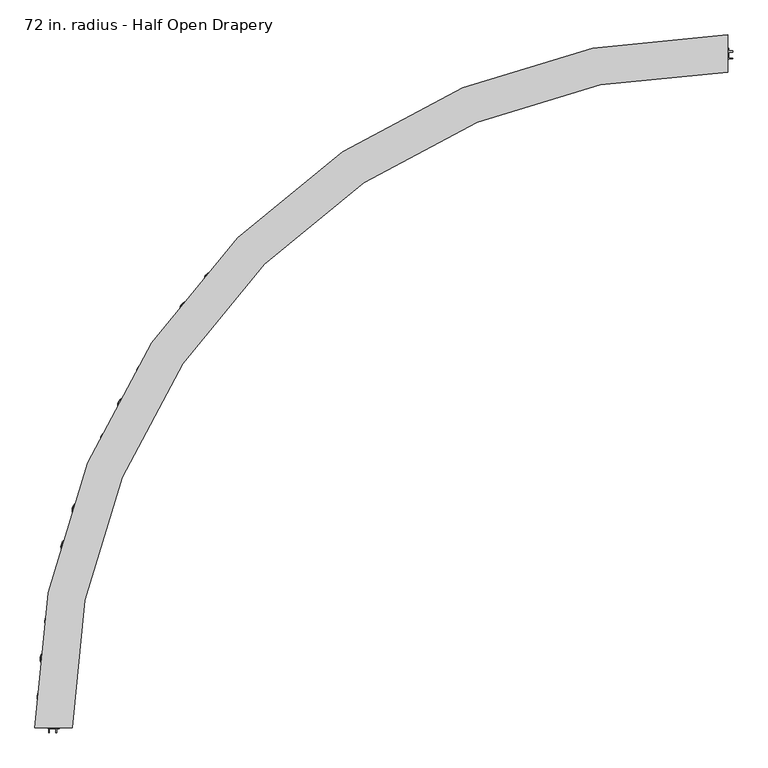
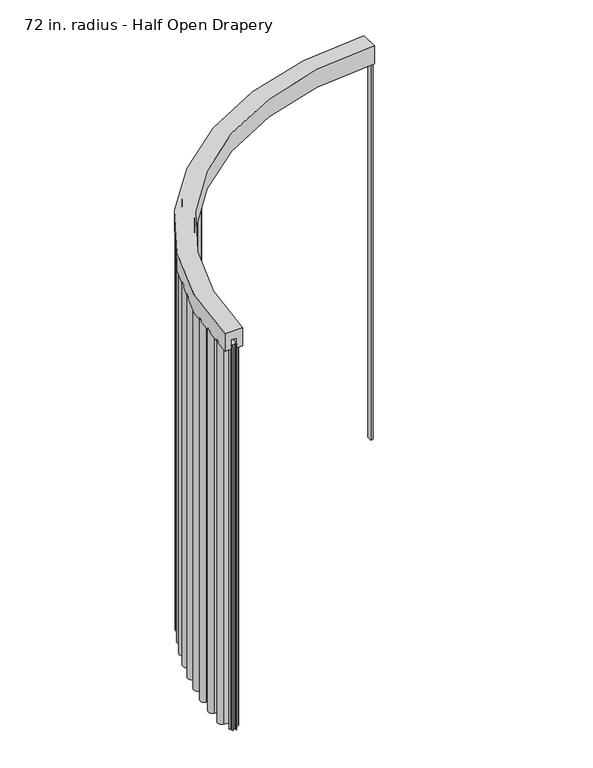
"""IFC4 building model written with IfcOpenShell, lengths in millimetres: furniture geometry, 72 in. radius - Half Open Drapery."""

import ifcopenshell
import ifcopenshell.guid

model = None  # the IFC model being written
_history = None  # IfcOwnerHistory: only IFC2X3 demands one
_inside = {}  # id of a spatial element -> (the spatial element, [elements in it])
_under = {}  # id of a project, library or spatial element -> (it, [spatial elements below it])
_declared = {}  # id of a project -> (the project, [libraries it declares])
_typed = {}  # id of a type object -> (the type object, [elements of that type])
_made_of = {}  # id of a material, layer set ... -> (it, [elements and type objects made of it])


def new_model(schema):
    """Start an empty IFC model of exactly this schema.

    Asked for "IFC4X3", IfcOpenShell would pick the latest addendum, in which some entities
    have other attributes; the version numbers below select the first issue.
    IFC2X3 requires an IfcOwnerHistory on every rooted entity: one is made here for all.
    """
    global model, _history
    if schema == "IFC4X3":
        model = ifcopenshell.file(schema_version=(4, 3, 0, 0))
    else:
        model = ifcopenshell.file(schema=schema)
    _inside.clear()
    _under.clear()
    _declared.clear()
    _typed.clear()
    _made_of.clear()
    _history = None
    if model.schema == "IFC2X3":
        org = make("IfcOrganization", Name="unknown")
        user = make(
            "IfcPersonAndOrganization",
            ThePerson=make("IfcPerson", FamilyName="unknown"),
            TheOrganization=org,
        )
        app = make(
            "IfcApplication",
            ApplicationDeveloper=org,
            Version="unknown",
            ApplicationFullName="unknown",
            ApplicationIdentifier="unknown",
        )
        _history = make(
            "IfcOwnerHistory",
            OwningUser=user,
            OwningApplication=app,
            ChangeAction="ADDED",
            CreationDate=0,
        )
    return model


def make(cls, **values):
    """One entity of the class cls with the attributes given. An attribute that is None is left unset."""
    return model.create_entity(
        cls, **{name: value for name, value in values.items() if value is not None}
    )


def rooted(cls, **values):
    """An entity with a GlobalId (a new one), such as an element, a storey or a relation."""
    return make(cls, GlobalId=ifcopenshell.guid.new(), OwnerHistory=_history, **values)


def si_unit(unit_type, name, prefix=None):
    """IfcSIUnit, for example si_unit("LENGTHUNIT", "METRE", prefix="MILLI")."""
    return make("IfcSIUnit", UnitType=unit_type, Prefix=prefix, Name=name)


def assignment(units):
    """IfcUnitAssignment: the units of a project."""
    return None if units is None else make("IfcUnitAssignment", Units=units)


def point(xyz):
    """IfcCartesianPoint."""
    return None if xyz is None else make("IfcCartesianPoint", Coordinates=xyz)


def direction(xyz):
    """IfcDirection."""
    return None if xyz is None else make("IfcDirection", DirectionRatios=xyz)


def frame(location, z_axis=None, x_axis=None):
    """IfcAxis2Placement3D, a coordinate frame: its origin and axes. An axis left out is left unset."""
    return make(
        "IfcAxis2Placement3D",
        Location=point(location),
        Axis=direction(z_axis),
        RefDirection=direction(x_axis),
    )


def frame_2d(location, x_axis=None):
    """IfcAxis2Placement2D, a coordinate frame in the plane: its origin and x axis."""
    return make(
        "IfcAxis2Placement2D", Location=point(location), RefDirection=direction(x_axis)
    )


def origin():
    """The frame at (0, 0, 0) with its axes left unset."""
    return frame((0.0, 0.0, 0.0))


def place(relative_to, where):
    """IfcLocalPlacement: puts the frame where relative to a parent placement (None: the world)."""
    return make(
        "IfcLocalPlacement", PlacementRelTo=relative_to, RelativePlacement=where
    )


def context(
    kind, dimensions, precision=None, world=None, true_north=None, identifier=None
):
    """IfcGeometricRepresentationContext, for example the 3D "Model" context."""
    return make(
        "IfcGeometricRepresentationContext",
        ContextIdentifier=identifier,
        ContextType=kind,
        CoordinateSpaceDimension=dimensions,
        Precision=precision,
        WorldCoordinateSystem=world,
        TrueNorth=true_north,
    )


def project(units=None, contexts=None):
    """IfcProject with its units and contexts."""
    return rooted(
        "IfcProject",
        Name="project",
        RepresentationContexts=contexts,
        UnitsInContext=assignment(units),
    )


def spatial(cls, under=None, at=None, **own):
    """A site, building, storey or space (cls), placed at a placement, below another one or the project."""
    s = rooted(cls, ObjectPlacement=at, **own)
    if under is not None:
        _under.setdefault(under.id(), (under, []))[1].append(s)
    return s


def polyline(points):
    """IfcPolyline through the points."""
    return make("IfcPolyline", Points=[point(p) for p in points])


def circle_curve(where, radius):
    """IfcCircle in the frame where."""
    return make("IfcCircle", Position=where, Radius=radius)


def trimmed(basis, trim1, trim2, sense, master):
    """IfcTrimmedCurve: the piece of a basis curve between two trims."""
    return make(
        "IfcTrimmedCurve",
        BasisCurve=basis,
        Trim1=trim1,
        Trim2=trim2,
        SenseAgreement=sense,
        MasterRepresentation=master,
    )


def segment(curve, same_sense, transition):
    """IfcCompositeCurveSegment."""
    return make(
        "IfcCompositeCurveSegment",
        Transition=transition,
        SameSense=same_sense,
        ParentCurve=curve,
    )


def composite_curve(segments, self_intersect=None):
    """IfcCompositeCurve: segments joined end to end."""
    return make("IfcCompositeCurve", Segments=segments, SelfIntersect=self_intersect)


def outline(outer, holes=None, kind="AREA"):
    """IfcArbitraryClosedProfileDef: a profile drawn as a closed curve; with holes, ...WithVoids."""
    if holes is None:
        return make("IfcArbitraryClosedProfileDef", ProfileType=kind, OuterCurve=outer)
    return make(
        "IfcArbitraryProfileDefWithVoids",
        ProfileType=kind,
        OuterCurve=outer,
        InnerCurves=holes,
    )


def extrude(swept, where, along, depth):
    """IfcExtrudedAreaSolid: the profile swept, set in the frame where, extruded along a direction by depth."""
    return make(
        "IfcExtrudedAreaSolid",
        SweptArea=swept,
        Position=where,
        ExtrudedDirection=direction(along),
        Depth=depth,
    )


def shape(context_of_items, identifier, shape_type, items):
    """IfcShapeRepresentation: the items that make up one representation, for example the "Body"."""
    return make(
        "IfcShapeRepresentation",
        ContextOfItems=context_of_items,
        RepresentationIdentifier=identifier,
        RepresentationType=shape_type,
        Items=items,
    )


def source(mapping_origin, context_of_items, identifier, shape_type, items):
    """IfcRepresentationMap: a shape defined once, which mapped items show again and again."""
    return make(
        "IfcRepresentationMap",
        MappingOrigin=mapping_origin,
        MappedRepresentation=shape(context_of_items, identifier, shape_type, items),
    )


def transform(
    local_origin,
    x_axis=None,
    y_axis=None,
    z_axis=None,
    scale=None,
    scale2=None,
    scale3=None,
    uniform=True,
):
    """IfcCartesianTransformationOperator3D, or its non-uniform kind. x_axis, y_axis, z_axis: its Axis1, 2, 3."""
    if uniform:
        return make(
            "IfcCartesianTransformationOperator3D",
            Axis1=direction(x_axis),
            Axis2=direction(y_axis),
            LocalOrigin=point(local_origin),
            Scale=scale,
            Axis3=direction(z_axis),
        )
    return make(
        "IfcCartesianTransformationOperator3DnonUniform",
        Axis1=direction(x_axis),
        Axis2=direction(y_axis),
        LocalOrigin=point(local_origin),
        Scale=scale,
        Axis3=direction(z_axis),
        Scale2=scale2,
        Scale3=scale3,
    )


def mapped(mapping_source, mapping_target):
    """IfcMappedItem: shows the shape of a source again, moved by a transform."""
    return make(
        "IfcMappedItem", MappingSource=mapping_source, MappingTarget=mapping_target
    )


def made_of(thing, what):
    """Note that an element or type object is made of a material, layer set ...; save() writes the relation."""
    if what is not None:
        _made_of.setdefault(what.id(), (what, []))[1].append(thing)
    return thing


def element(
    cls,
    number,
    at=None,
    inside=None,
    cuts=None,
    type_object=None,
    material=None,
    context=None,
    identifier="Body",
    shape_type=None,
    held_by="IfcProductDefinitionShape",
    body=None,
    shapes=None,
    **own,
):
    """One element of the class cls, such as IfcWall. Its Tag is "e" and its number.

    at: its placement. inside: the storey or other place that contains it. cuts: it is an
    opening in that element (IfcRelVoidsElement). A single representation is given by context,
    identifier, shape_type and body (its items); several are given by shapes. held_by: the class
    of the entity that holds the representations. save() writes the other relations.
    """
    e = rooted(cls, Tag="e%d" % number, ObjectPlacement=at, **own)
    if body is not None:
        shapes = [shape(context, identifier, shape_type, body)]
    if shapes is not None:
        e.Representation = make(held_by, Representations=shapes)
    if inside is not None:
        _inside.setdefault(inside.id(), (inside, []))[1].append(e)
    if cuts is not None:
        rooted(
            "IfcRelVoidsElement", RelatingBuildingElement=cuts, RelatedOpeningElement=e
        )
    if type_object is not None:
        _typed.setdefault(type_object.id(), (type_object, []))[1].append(e)
    return made_of(e, material)


def aggregate(whole, parts):
    """IfcRelAggregates: a whole, such as a stair, and the parts it consists of."""
    return rooted("IfcRelAggregates", RelatingObject=whole, RelatedObjects=parts)


def save(model, path):
    """Write the relations noted so far, then the file.

    IfcRelAggregates (storeys below a building ...), IfcRelContainedInSpatialStructure (elements
    in a storey), IfcRelDefinesByType, IfcRelAssociatesMaterial and IfcRelDeclares: one each for
    every whole, place, type object, material and project.
    """
    for whole, parts in _under.values():
        aggregate(whole, parts)
    for where, things in _inside.values():
        rooted(
            "IfcRelContainedInSpatialStructure",
            RelatedElements=things,
            RelatingStructure=where,
        )
    for kind, things in _typed.values():
        rooted("IfcRelDefinesByType", RelatedObjects=things, RelatingType=kind)
    for what, things in _made_of.values():
        rooted("IfcRelAssociatesMaterial", RelatedObjects=things, RelatingMaterial=what)
    for by, libraries in _declared.values():
        rooted("IfcRelDeclares", RelatingContext=by, RelatedDefinitions=libraries)
    model.write(path)


def plane_surface(at):
    """IfcPlane: the flat surface through the origin of the frame at, square to its z axis."""
    return make("IfcPlane", Position=at)


def cylinder_surface(at, radius):
    """IfcCylindricalSurface: all points at the distance radius from the z axis of the frame at."""
    return make("IfcCylindricalSurface", Position=at, Radius=radius)


def revolved_surface(curve, axis_point, axis_direction):
    """IfcSurfaceOfRevolution: the curve turned about the line through axis_point along axis_direction."""
    return make(
        "IfcSurfaceOfRevolution",
        SweptCurve=make("IfcArbitraryOpenProfileDef", ProfileType="CURVE", Curve=curve),
        AxisPosition=make("IfcAxis1Placement", Location=point(axis_point), Axis=direction(axis_direction)),
    )


def advanced_brep(points, edges, surfaces, faces):
    """IfcAdvancedBrep: a solid bounded by faces that lie on surfaces and meet in shared edges.

    An edge is (start, end): straight between two places in points (the first is 0);
    or (start, end, curve); or (start, end, curve, False) where it runs against its curve.
    A face is (place in surfaces, loops), or (place, loops, False) where it looks against
    its surface's normal. A loop lists edges by number (the first is 1), with a minus sign
    where the edge is run from its end to its start. The first loop is the outer one.
    """
    corners = [point(p) for p in points]
    vertices = [make("IfcVertexPoint", VertexGeometry=c) for c in corners]
    made = []
    for start, end, *more in edges:
        made.append(
            make(
                "IfcEdgeCurve",
                EdgeStart=vertices[start],
                EdgeEnd=vertices[end],
                EdgeGeometry=more[0] if more else make("IfcPolyline", Points=[corners[start], corners[end]]),
                SameSense=more[1] if len(more) > 1 else True,
            )
        )
    hull = []
    for where, loops, *sense in faces:
        bounds = []
        for j, loop in enumerate(loops):
            ring = [make("IfcOrientedEdge", EdgeElement=made[abs(k) - 1], Orientation=k > 0) for k in loop]
            bounds.append(
                make(
                    "IfcFaceOuterBound" if j == 0 else "IfcFaceBound",
                    Bound=make("IfcEdgeLoop", EdgeList=ring),
                    Orientation=True,
                )
            )
        hull.append(make("IfcAdvancedFace", Bounds=bounds, FaceSurface=surfaces[where], SameSense=sense[0] if sense else True))
    return make("IfcAdvancedBrep", Outer=make("IfcClosedShell", CfsFaces=hull))


def furniture_72_in_radius_half_open_drapery_9427be67(model_context):
    return source(origin(), model_context, "Body", "SolidModel", [
        advanced_brep(
        [(38.1006913, 1880.0004562, 2438.4), (38.1006913, 1778.4004562, 2438.4), (38.1006913, 1778.4004562, 2331.8390625), (38.1006913, 1813.9821615, 2331.8390625), (38.1006913, 1813.9821615, 2388.7001663), (38.1006913, 1844.418751, 2388.7001663), (38.1006913, 1844.418751, 2331.8390625), (38.1006913, 1880.0004562, 2331.8390625), (-1841.899765, 0.0, 2438.4), (-1841.899765, 0.0, 2331.8390625), (-1806.3180598, 0.0, 2331.8390625), (-1806.3180598, 0.0, 2388.7001663), (-1775.8814702, 0.0, 2388.7001663), (-1775.8814702, 0.0, 2331.8390625), (-1740.299765, 0.0, 2331.8390625), (-1740.299765, 0.0, 2438.4)],
        [
            (0, 1),
            (1, 2),
            (2, 3),
            (3, 4),
            (4, 5),
            (5, 6),
            (6, 7),
            (7, 0),
            (8, 9),
            (9, 10),
            (10, 11),
            (11, 12),
            (12, 13),
            (13, 14),
            (14, 15),
            (15, 8),
            (15, 1, circle_curve(frame((38.1006913, 0.0, 2438.4), z_axis=(0.0, 0.0, -1.0), x_axis=(0.0, 1.0, 0.0)), 1778.4004562)),
            (0, 8, circle_curve(frame((38.1006913, 0.0, 2438.4), z_axis=(0.0, 0.0, 1.0), x_axis=(0.0, 1.0, 0.0)), 1880.0004562)),
            (14, 2, circle_curve(frame((38.1006913, 0.0, 2331.8390625), z_axis=(0.0, 0.0, -1.0), x_axis=(0.0, 1.0, 0.0)), 1778.4004562)),
            (7, 9, circle_curve(frame((38.1006913, 0.0, 2331.8390625), z_axis=(0.0, 0.0, 1.0), x_axis=(0.0, 1.0, 0.0)), 1880.0004562)),
            (13, 3, circle_curve(frame((38.1006913, 0.0, 2331.8390625), z_axis=(0.0, 0.0, -1.0), x_axis=(0.0, 1.0, 0.0)), 1813.9821615)),
            (12, 4, circle_curve(frame((38.1006913, 0.0, 2388.7001663), z_axis=(0.0, 0.0, -1.0), x_axis=(0.0, 1.0, 0.0)), 1813.9821615)),
            (11, 5, circle_curve(frame((38.1006913, 0.0, 2388.7001663), z_axis=(0.0, 0.0, -1.0), x_axis=(0.0, 1.0, 0.0)), 1844.418751)),
            (10, 6, circle_curve(frame((38.1006913, 0.0, 2331.8390625), z_axis=(0.0, 0.0, -1.0), x_axis=(0.0, 1.0, 0.0)), 1844.418751)),
        ],
        [
            plane_surface(frame((38.1006913, 0.0, 2451.1), z_axis=(1.0, 0.0, 0.0), x_axis=(0.0, 1.0, 0.0))),
            plane_surface(frame((38.1006913, 0.0, 2451.1), z_axis=(0.0, -1.0, 0.0), x_axis=(-1.0, 0.0, 0.0))),
            plane_surface(frame((38.1006913, 0.0, 2438.4), z_axis=(0.0, 0.0, 1.0), x_axis=(0.0, 1.0, 0.0))),
            revolved_surface(polyline([(38.1006913, 1778.4004562, 2438.4), (38.1006913, 1778.4004562, 2331.8390625)]), (38.1006913, 0.0, 2451.1), (0.0, 0.0, 1.0)),
            cylinder_surface(frame((38.1006913, 0.0, 2451.1), z_axis=(0.0, 0.0, 1.0), x_axis=(0.0, 1.0, 0.0)), 1880.0004562),
            plane_surface(frame((38.1006913, 0.0, 2331.8390625), z_axis=(0.0, 0.0, -1.0), x_axis=(0.0, 1.0, 0.0))),
            cylinder_surface(frame((38.1006913, 0.0, 2451.1), z_axis=(0.0, 0.0, 1.0), x_axis=(0.0, 1.0, 0.0)), 1813.9821615),
            plane_surface(frame((38.1006913, 0.0, 2388.7001663), z_axis=(0.0, 0.0, -1.0), x_axis=(0.0, 1.0, 0.0))),
            revolved_surface(polyline([(38.1006913, 1844.418751, 2388.7001663), (38.1006913, 1844.418751, 2331.8390625)]), (38.1006913, 0.0, 2451.1), (0.0, 0.0, 1.0)),
        ],
        [
            (0, [[1, 2, 3, 4, 5, 6, 7, 8]]),
            (1, [[9, 10, 11, 12, 13, 14, 15, 16]]),
            (2, [[17, -1, 18, -16]]),
            (3, [[19, -2, -17, -15]]),
            (4, [[-18, -8, 20, -9]]),
            (5, [[21, -3, -19, -14]]),
            (6, [[22, -4, -21, -13]]),
            (7, [[23, -5, -22, -12]]),
            (8, [[24, -6, -23, -11]]),
            (5, [[-20, -7, -24, -10]]),
        ],
    ),
        extrude(outline(composite_curve([segment(polyline([(-1813.2675039, 8.7991729), (-1813.2675039, 9.5929229), (-1772.6295579, 9.5929229)]), True, "CONTINUOUS"), segment(trimmed(circle_curve(frame_2d((-1772.6295579, 32.2004487)), 22.6075258), [point((-1772.6295579, 9.5929229))], [point((-1769.6769803, 54.6143396))], True, "CARTESIAN"), True, "CONTINUOUS"), segment(polyline([(-1769.6769803, 54.6143396), (-1814.6857035, 60.54333)]), True, "CONTINUOUS"), segment(trimmed(circle_curve(frame_2d((-1811.5275882, 84.5175193)), 24.1813036), [point((-1814.6857035, 60.54333))], [point((-1812.4998595, 108.6792688))], False, "CARTESIAN"), True, "CONTINUOUS"), segment(polyline([(-1812.4998595, 108.6792688), (-1767.1091523, 110.5057956)]), True, "CONTINUOUS"), segment(trimmed(circle_curve(frame_2d((-1768.0180469, 133.0925785)), 22.6050625), [point((-1767.1091523, 110.5057956))], [point((-1763.8193529, 155.3042831))], True, "CARTESIAN"), True, "CONTINUOUS"), segment(polyline([(-1763.8193529, 155.3042831), (-1808.286458, 163.7099309)]), True, "CONTINUOUS"), segment(trimmed(circle_curve(frame_2d((-1803.7922369, 187.4850177)), 24.1961314), [point((-1808.286458, 163.7099309))], [point((-1803.4140194, 211.6781929))], False, "CARTESIAN"), True, "CONTINUOUS"), segment(polyline([(-1803.4140194, 211.6781929), (-1758.1420693, 210.9704462)]), True, "CONTINUOUS"), segment(trimmed(circle_curve(frame_2d((-1757.788763, 233.5701509)), 22.6024662), [point((-1758.1420693, 210.9704462))], [point((-1752.3573521, 255.5103253))], True, "CARTESIAN"), True, "CONTINUOUS"), segment(polyline([(-1752.3573521, 255.5103253), (-1796.4292649, 266.4205699)]), True, "CONTINUOUS"), segment(trimmed(circle_curve(frame_2d((-1790.6174697, 289.897306)), 24.1854108), [point((-1796.4292649, 266.4205699))], [point((-1788.8901204, 314.0209533))], False, "CARTESIAN"), True, "CONTINUOUS"), segment(polyline([(-1788.8901204, 314.0209533), (-1743.5851539, 310.7769372)]), True, "CONTINUOUS"), segment(trimmed(circle_curve(frame_2d((-1741.9710116, 333.3195691)), 22.6003475), [point((-1743.5851539, 310.7769372))], [point((-1735.3239561, 354.9203182))], True, "CARTESIAN"), True, "CONTINUOUS"), segment(polyline([(-1735.3239561, 354.9203182), (-1778.5125348, 368.2104535)]), True, "CONTINUOUS"), segment(trimmed(circle_curve(frame_2d((-1771.3933974, 391.345314)), 24.2054516), [point((-1778.5125348, 368.2104535))], [point((-1768.3195733, 415.3548016))], False, "CARTESIAN"), True, "CONTINUOUS"), segment(polyline([(-1768.3195733, 415.3548016), (-1723.5637359, 409.6249178)]), True, "CONTINUOUS"), segment(trimmed(circle_curve(frame_2d((-1720.6927841, 432.0497797)), 22.6078923), [point((-1723.5637359, 409.6249178))], [point((-1712.8477053, 453.2528817))], True, "CARTESIAN"), True, "CONTINUOUS"), segment(polyline([(-1712.8477053, 453.2528817), (-1755.3793884, 468.9894662)]), True, "CONTINUOUS"), segment(trimmed(circle_curve(frame_2d((-1746.9867429, 491.6724911)), 24.1858661), [point((-1755.3793884, 468.9894662))], [point((-1742.5810222, 515.4536967))], False, "CARTESIAN"), True, "CONTINUOUS"), segment(polyline([(-1742.5810222, 515.4536967), (-1697.7640357, 507.1508743)]), True, "CONTINUOUS"), segment(trimmed(circle_curve(frame_2d((-1693.6505392, 529.3547116)), 22.5816572), [point((-1697.7640357, 507.1508743))], [point((-1684.644538, 550.0627581))], True, "CARTESIAN"), True, "CONTINUOUS"), segment(polyline([(-1684.644538, 550.0627581), (-1726.3426429, 568.1974083)]), True, "CONTINUOUS"), segment(trimmed(circle_curve(frame_2d((-1716.6931292, 590.3851225)), 24.1952015), [point((-1726.3426429, 568.1974083))], [point((-1710.9645402, 613.8923776))], False, "CARTESIAN"), True, "CONTINUOUS"), segment(polyline([(-1710.9645402, 613.8923776), (-1667.1292609, 603.2099608)]), True, "CONTINUOUS"), segment(trimmed(circle_curve(frame_2d((-1661.7731813, 625.1886241)), 22.621875), [point((-1667.1292609, 603.2099608))], [point((-1651.6072198, 645.3975937))], True, "CARTESIAN"), True, "CONTINUOUS"), segment(polyline([(-1651.6072198, 645.3975937), (-1691.7651569, 665.5987249)]), True, "CONTINUOUS"), segment(trimmed(circle_curve(frame_2d((-1680.8857945, 687.2258679)), 24.209375), [point((-1691.7651569, 665.5987249))], [point((-1673.8498546, 710.390267))], False, "CARTESIAN"), True, "CONTINUOUS"), segment(polyline([(-1673.8498546, 710.390267), (-1630.8375466, 697.3257357)]), True, "CONTINUOUS"), segment(trimmed(circle_curve(frame_2d((-1624.2629798, 718.9711579)), 22.621875), [point((-1630.8375466, 697.3257357))], [point((-1612.9847645, 738.5811321))], True, "CARTESIAN"), True, "CONTINUOUS"), segment(polyline([(-1612.9847645, 738.5811321), (-1651.9526335, 760.9925851)]), True, "CONTINUOUS"), segment(trimmed(circle_curve(frame_2d((-1639.8829645, 781.9786979)), 24.209375), [point((-1651.9526335, 760.9925851))], [point((-1631.564904, 804.7142143))], False, "CARTESIAN"), True, "CONTINUOUS"), segment(polyline([(-1631.564904, 804.7142143), (-1589.3483107, 789.268769)]), True, "CONTINUOUS"), segment(trimmed(circle_curve(frame_2d((-1581.5756968, 810.5134319)), 22.621875), [point((-1589.3483107, 789.268769))], [point((-1569.2204104, 829.4632637))], True, "CARTESIAN"), True, "CONTINUOUS"), segment(polyline([(-1569.2204104, 829.4632637), (-1606.8765453, 854.0150556)]), True, "CONTINUOUS"), segment(trimmed(circle_curve(frame_2d((-1593.6542213, 874.2947002)), 24.209375), [point((-1606.8765453, 854.0150556))], [point((-1584.0799774, 896.5304303))], False, "CARTESIAN"), True, "CONTINUOUS"), segment(polyline([(-1584.0799774, 896.5304303), (-1542.7920826, 878.7527196)]), True, "CONTINUOUS"), segment(trimmed(circle_curve(frame_2d((-1533.8456579, 899.5303691)), 22.621875), [point((-1542.7920826, 878.7527196))], [point((-1520.4517928, 917.7609369))], True, "CARTESIAN"), True, "CONTINUOUS"), segment(polyline([(-1520.4517928, 917.7609369), (-1556.6783212, 944.3763028)]), True, "CONTINUOUS"), segment(trimmed(circle_curve(frame_2d((-1542.3445357, 963.8862088)), 24.209375), [point((-1556.6783212, 944.3763028))], [point((-1531.5440207, 985.5528355))], False, "CARTESIAN"), True, "CONTINUOUS"), segment(polyline([(-1531.5440207, 985.5528355), (-1491.3127076, 965.49808)]), True, "CONTINUOUS"), segment(trimmed(circle_curve(frame_2d((-1481.220423, 985.7439443)), 22.621875), [point((-1491.3127076, 965.49808))], [point((-1466.8298301, 1003.1984584))], True, "CARTESIAN"), True, "CONTINUOUS"), segment(polyline([(-1466.8298301, 1003.1984584), (-1501.5145614, 1031.7947198)]), True, "CONTINUOUS"), segment(trimmed(circle_curve(frame_2d((-1486.1141024, 1050.4741121)), 24.209375), [point((-1501.5145614, 1031.7947198))], [point((-1474.1209556, 1071.5040495))], False, "CARTESIAN"), True, "CONTINUOUS"), segment(polyline([(-1474.1209556, 1071.5040495), (-1435.0715605, 1049.2346001)]), True, "CONTINUOUS"), segment(trimmed(circle_curve(frame_2d((-1423.8648496, 1068.8855253)), 22.621875), [point((-1435.0715605, 1049.2346001))], [point((-1408.5223554, 1085.509517))], True, "CARTESIAN"), True, "CONTINUOUS"), segment(polyline([(-1408.5223554, 1085.509517), (-1441.5564396, 1115.9970949)]), True, "CONTINUOUS"), segment(trimmed(circle_curve(frame_2d((-1425.1372792, 1133.7876826)), 24.209375), [point((-1441.5564396, 1115.9970949))], [point((-1411.9889102, 1154.1153541))], False, "CARTESIAN"), True, "CONTINUOUS"), segment(polyline([(-1411.9889102, 1154.1153541), (-1374.2437703, 1129.7009971)]), True, "CONTINUOUS"), segment(trimmed(circle_curve(frame_2d((-1361.9575893, 1148.6957065)), 22.621875), [point((-1374.2437703, 1129.7009971))], [point((-1345.7110388, 1164.4373336))], True, "CARTESIAN"), True, "CONTINUOUS"), segment(polyline([(-1345.7110388, 1164.4373336), (-1376.9916265, 1196.7212674)]), True, "CONTINUOUS"), segment(trimmed(circle_curve(frame_2d((-1359.6049671, 1213.5675701)), 24.209375), [point((-1376.9916265, 1196.7212674))], [point((-1345.3423961, 1233.1295973))], False, "CARTESIAN"), True, "CONTINUOUS"), segment(polyline([(-1345.3423961, 1233.1295973), (-1309.0188842, 1206.6463159)]), True, "CONTINUOUS"), segment(trimmed(circle_curve(frame_2d((-1295.6915637, 1224.9255872)), 22.621875), [point((-1309.0188842, 1206.6463159))], [point((-1278.5916131, 1239.7357497))], True, "CARTESIAN"), True, "CONTINUOUS"), segment(polyline([(-1278.5916131, 1239.7357497), (-1308.0214637, 1273.7157274)]), True, "CONTINUOUS"), segment(trimmed(circle_curve(frame_2d((-1289.7215165, 1289.5651997)), 24.209375), [point((-1308.0214637, 1273.7157274))], [point((-1274.3891813, 1308.3005495))], False, "CARTESIAN"), True, "CONTINUOUS"), segment(polyline([(-1274.3891813, 1308.3005495), (-1239.6008033, 1279.8309945), (-1240.1648625, 1279.2669353), (-1274.8918808, 1307.6862757)]), True, "CONTINUOUS"), segment(trimmed(circle_curve(frame_2d((-1289.7215165, 1289.5651997)), 23.415625), [point((-1274.8918808, 1307.6862757))], [point((-1307.4214654, 1274.2353823))], True, "CARTESIAN"), True, "CONTINUOUS"), segment(polyline([(-1307.4214654, 1274.2353823), (-1277.9916148, 1240.2554046)]), True, "CONTINUOUS"), segment(trimmed(circle_curve(frame_2d((-1295.6915637, 1224.9255872)), 23.415625), [point((-1277.9916148, 1240.2554046))], [point((-1309.4865095, 1206.004938))], False, "CARTESIAN"), True, "CONTINUOUS"), segment(polyline([(-1309.4865095, 1206.004938), (-1345.8100214, 1232.4882193)]), True, "CONTINUOUS"), segment(trimmed(circle_curve(frame_2d((-1359.6049671, 1213.5675701)), 23.415625), [point((-1345.8100214, 1232.4882193))], [point((-1376.4215721, 1197.2736052))], True, "CARTESIAN"), True, "CONTINUOUS"), segment(polyline([(-1376.4215721, 1197.2736052), (-1345.1409844, 1164.9896714)]), True, "CONTINUOUS"), segment(trimmed(circle_curve(frame_2d((-1361.9575893, 1148.6957065)), 23.415625), [point((-1345.1409844, 1164.9896714))], [point((-1374.6748643, 1129.034516))], False, "CARTESIAN"), True, "CONTINUOUS"), segment(polyline([(-1374.6748643, 1129.034516), (-1412.4200042, 1153.4488731)]), True, "CONTINUOUS"), segment(trimmed(circle_curve(frame_2d((-1425.1372792, 1133.7876826)), 23.415625), [point((-1412.4200042, 1153.4488731))], [point((-1441.0181065, 1116.5803929))], True, "CARTESIAN"), True, "CONTINUOUS"), segment(polyline([(-1441.0181065, 1116.5803929), (-1407.9840223, 1086.092815)]), True, "CONTINUOUS"), segment(trimmed(circle_curve(frame_2d((-1423.8648496, 1068.8855253)), 23.415625), [point((-1407.9840223, 1086.092815))], [point((-1435.4647784, 1048.545094))], False, "CARTESIAN"), True, "CONTINUOUS"), segment(polyline([(-1435.4647784, 1048.545094), (-1474.5141735, 1070.8145434)]), True, "CONTINUOUS"), segment(trimmed(circle_curve(frame_2d((-1486.1141024, 1050.4741121)), 23.415625), [point((-1474.5141735, 1070.8145434))], [point((-1501.0096283, 1032.4071589))], True, "CARTESIAN"), True, "CONTINUOUS"), segment(polyline([(-1501.0096283, 1032.4071589), (-1466.324897, 1003.8108975)]), True, "CONTINUOUS"), segment(trimmed(circle_curve(frame_2d((-1481.220423, 985.7439443)), 23.415625), [point((-1466.324897, 1003.8108975))], [point((-1491.6668228, 964.7876988))], False, "CARTESIAN"), True, "CONTINUOUS"), segment(polyline([(-1491.6668228, 964.7876988), (-1531.8981359, 984.8424543)]), True, "CONTINUOUS"), segment(trimmed(circle_curve(frame_2d((-1542.3445357, 963.8862088)), 23.415625), [point((-1531.8981359, 984.8424543))], [point((-1556.208361, 945.0159719))], True, "CARTESIAN"), True, "CONTINUOUS"), segment(polyline([(-1556.208361, 945.0159719), (-1519.9818326, 918.400606)]), True, "CONTINUOUS"), segment(trimmed(circle_curve(frame_2d((-1533.8456579, 899.5303691)), 23.415625), [point((-1519.9818326, 918.400606))], [point((-1543.1059922, 878.0236793))], False, "CARTESIAN"), True, "CONTINUOUS"), segment(polyline([(-1543.1059922, 878.0236793), (-1584.3938871, 895.80139)]), True, "CONTINUOUS"), segment(trimmed(circle_curve(frame_2d((-1593.6542213, 874.2947002)), 23.415625), [point((-1584.3938871, 895.80139))], [point((-1606.4430265, 854.679962))], True, "CARTESIAN"), True, "CONTINUOUS"), segment(polyline([(-1606.4430265, 854.679962), (-1568.7868916, 830.1281701)]), True, "CONTINUOUS"), segment(trimmed(circle_curve(frame_2d((-1581.5756968, 810.5134319)), 23.415625), [point((-1568.7868916, 830.1281701))], [point((-1589.621034, 788.5233422))], False, "CARTESIAN"), True, "CONTINUOUS"), segment(polyline([(-1589.621034, 788.5233422), (-1631.8376273, 803.9687876)]), True, "CONTINUOUS"), segment(trimmed(circle_curve(frame_2d((-1639.8829645, 781.9786979)), 23.415625), [point((-1631.8376273, 803.9687876))], [point((-1651.5569066, 761.6806544))], True, "CARTESIAN"), True, "CONTINUOUS"), segment(polyline([(-1651.5569066, 761.6806544), (-1612.5890376, 739.2692013)]), True, "CONTINUOUS"), segment(trimmed(circle_curve(frame_2d((-1624.2629798, 718.9711579)), 23.415625), [point((-1612.5890376, 739.2692013))], [point((-1631.0682332, 696.5662472))], False, "CARTESIAN"), True, "CONTINUOUS"), segment(polyline([(-1631.0682332, 696.5662472), (-1674.0805411, 709.6307785)]), True, "CONTINUOUS"), segment(trimmed(circle_curve(frame_2d((-1680.8857945, 687.2258679)), 23.415625), [point((-1674.0805411, 709.6307785))], [point((-1691.4084565, 666.3078116))], True, "CARTESIAN"), True, "CONTINUOUS"), segment(polyline([(-1691.4084565, 666.3078116), (-1651.2505193, 646.1066804)]), True, "CONTINUOUS"), segment(trimmed(circle_curve(frame_2d((-1661.7731813, 625.1886241)), 23.415625), [point((-1651.2505193, 646.1066804))], [point((-1667.3171935, 602.4387796))], False, "CARTESIAN"), True, "CONTINUOUS"), segment(polyline([(-1667.3171935, 602.4387796), (-1711.1524728, 613.1211965)]), True, "CONTINUOUS"), segment(trimmed(circle_curve(frame_2d((-1716.6931292, 590.3851225)), 23.4014515), [point((-1711.1524728, 613.1211965))], [point((-1726.0260801, 568.9253005))], True, "CARTESIAN"), True, "CONTINUOUS"), segment(polyline([(-1726.0260801, 568.9253005), (-1684.3279752, 550.7906503)]), True, "CONTINUOUS"), segment(trimmed(circle_curve(frame_2d((-1693.6505392, 529.3547116)), 23.3754072), [point((-1684.3279752, 550.7906503))], [point((-1697.9086259, 506.3704048))], False, "CARTESIAN"), True, "CONTINUOUS"), segment(polyline([(-1697.9086259, 506.3704048), (-1742.7256125, 514.6732272)]), True, "CONTINUOUS"), segment(trimmed(circle_curve(frame_2d((-1746.9867429, 491.6724911)), 23.3921161), [point((-1742.7256125, 514.6732272))], [point((-1755.1039522, 469.7338948))], True, "CARTESIAN"), True, "CONTINUOUS"), segment(polyline([(-1755.1039522, 469.7338948), (-1712.5722691, 453.9973104)]), True, "CONTINUOUS"), segment(trimmed(circle_curve(frame_2d((-1720.6927841, 432.0497797)), 23.4016423), [point((-1712.5722691, 453.9973104))], [point((-1723.6645333, 408.8375939))], False, "CARTESIAN"), True, "CONTINUOUS"), segment(polyline([(-1723.6645333, 408.8375939), (-1768.4203708, 414.5674777)]), True, "CONTINUOUS"), segment(trimmed(circle_curve(frame_2d((-1771.3933974, 391.345314)), 23.4117016), [point((-1768.4203708, 414.5674777))], [point((-1778.2790827, 368.9690964))], True, "CARTESIAN"), True, "CONTINUOUS"), segment(polyline([(-1778.2790827, 368.9690964), (-1735.090504, 355.6789611)]), True, "CONTINUOUS"), segment(trimmed(circle_curve(frame_2d((-1741.9710116, 333.3195691)), 23.3940975), [point((-1735.090504, 355.6789611))], [point((-1743.6418444, 309.9852142))], False, "CARTESIAN"), True, "CONTINUOUS"), segment(polyline([(-1743.6418444, 309.9852142), (-1788.9468109, 313.2292304)]), True, "CONTINUOUS"), segment(trimmed(circle_curve(frame_2d((-1790.6174697, 289.897306)), 23.3916608), [point((-1788.9468109, 313.2292304))], [point((-1796.2385255, 267.1910617))], True, "CARTESIAN"), True, "CONTINUOUS"), segment(polyline([(-1796.2385255, 267.1910617), (-1752.1666126, 256.280817)]), True, "CONTINUOUS"), segment(trimmed(circle_curve(frame_2d((-1757.788763, 233.5701509)), 23.3962162), [point((-1752.1666126, 256.280817))], [point((-1758.1544767, 210.1767931))], False, "CARTESIAN"), True, "CONTINUOUS"), segment(polyline([(-1758.1544767, 210.1767931), (-1803.4264268, 210.8845398)]), True, "CONTINUOUS"), segment(trimmed(circle_curve(frame_2d((-1803.7922369, 187.4850177)), 23.4023814), [point((-1803.4264268, 210.8845398))], [point((-1808.1390259, 164.4898686))], True, "CARTESIAN"), True, "CONTINUOUS"), segment(polyline([(-1808.1390259, 164.4898686), (-1763.6719207, 156.0842208)]), True, "CONTINUOUS"), segment(trimmed(circle_curve(frame_2d((-1768.0180469, 133.0925785)), 23.3988125), [point((-1763.6719207, 156.0842208))], [point((-1767.0772376, 109.7126875))], False, "CARTESIAN"), True, "CONTINUOUS"), segment(polyline([(-1767.0772376, 109.7126875), (-1812.4679448, 107.8861606)]), True, "CONTINUOUS"), segment(trimmed(circle_curve(frame_2d((-1811.5275882, 84.5175193)), 23.3875536), [point((-1812.4679448, 107.8861606))], [point((-1814.5820386, 61.3302815))], True, "CARTESIAN"), True, "CONTINUOUS"), segment(polyline([(-1814.5820386, 61.3302815), (-1769.5733154, 55.4012911)]), True, "CONTINUOUS"), segment(trimmed(circle_curve(frame_2d((-1772.6295579, 32.2004487)), 23.4012758), [point((-1769.5733154, 55.4012911))], [point((-1772.6295579, 8.7991729))], False, "CARTESIAN"), True, "CONTINUOUS"), segment(polyline([(-1772.6295579, 8.7991729), (-1813.2675039, 8.7991729)]), True, "CONTINUOUS")], self_intersect=False)), frame((0.0, 0.0, 38.1), z_axis=(0.0, 0.0, 1.0), x_axis=(1.0, 0.0, 0.0)), (0.0, 0.0, 1.0), 2305.05),
        extrude(outline(polyline([(-1785.7851322, -1.7500481), (-1802.4351327, -1.7500481), (-1802.4351327, -13.2500478), (-1804.010132, -13.2500478), (-1804.010132, -1.7500481), (-1805.8351319, -1.7500481), (-1805.8351319, 0.0), (-1775.3851328, 0.0), (-1775.3851328, -1.7500481), (-1782.7851325, -1.7500481), (-1782.7851325, -13.4000477), (-1785.7851322, -13.4000477), (-1785.7851322, -1.7500481)])), frame((0.0, 0.0, 38.1), z_axis=(0.0, 0.0, 1.0), x_axis=(1.0, 0.0, 0.0)), (0.0, 0.0, 1.0), 2317.75),
        extrude(outline(polyline([(39.849994, 1844.0291096), (39.849994, 1836.6291253), (51.5000097, 1836.6291253), (51.5000097, 1833.6290177), (39.849994, 1833.6290177), (39.849994, 1816.9790892), (51.3500188, 1816.9790892), (51.3500188, 1815.40404), (39.849994, 1815.40404), (39.849994, 1813.5790787), (38.1, 1813.5790787), (38.1, 1844.0291096), (39.849994, 1844.0291096)])), frame((0.0, 0.0, 38.1), z_axis=(0.0, 0.0, 1.0), x_axis=(1.0, 0.0, 0.0)), (0.0, 0.0, 1.0), 2317.75),
        extrude(outline(composite_curve([segment(trimmed(circle_curve(frame_2d((38.1, 0.0)), 1813.507017), [point((38.1, 1813.5070171))], [point((-1775.4070171, 0.0))], True, "CARTESIAN"), True, "CONTINUOUS"), segment(polyline([(-1775.4070171, 0.0), (-1806.6832164, 0.0)]), True, "CONTINUOUS"), segment(trimmed(circle_curve(frame_2d((38.1, 0.0)), 1844.7832163), [point((-1806.6832164, 0.0))], [point((38.1, 1844.7832164))], False, "CARTESIAN"), True, "CONTINUOUS"), segment(polyline([(38.1, 1844.7832164), (38.1, 1813.5070171)]), True, "CONTINUOUS")], self_intersect=False)), frame((0.0, 0.0, 2355.85), z_axis=(0.0, 0.0, 1.0), x_axis=(1.0, 0.0, 0.0)), (0.0, 0.0, 1.0), 1.7500001),
    ])


if __name__ == "__main__":
    model = new_model("IFC4")
    model_context = context("Model", 3, world=origin())
    ifc_project = project(units=[si_unit("LENGTHUNIT", "METRE", prefix="MILLI")], contexts=[model_context])
    site = spatial("IfcSite", under=ifc_project)
    building = spatial("IfcBuilding", under=site)
    placement = place(None, origin())
    furniture_72_in_radius_half_open_drapery_shape = furniture_72_in_radius_half_open_drapery_9427be67(model_context)
    element("IfcFurniture", 1, ObjectType="72 in. radius - Half Open Drapery", at=placement, inside=building, context=model_context, shape_type="MappedRepresentation", body=[
        mapped(furniture_72_in_radius_half_open_drapery_shape, transform((0.0, 0.0, 0.0), x_axis=(1.0, 0.0, 0.0), y_axis=(0.0, 1.0, 0.0), z_axis=(0.0, 0.0, 1.0))),
    ])
    save(model, "model.ifc")
